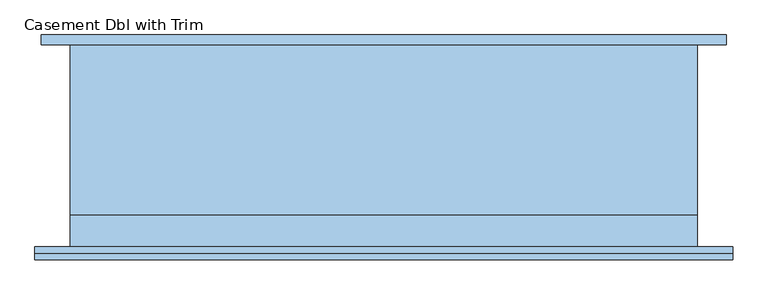
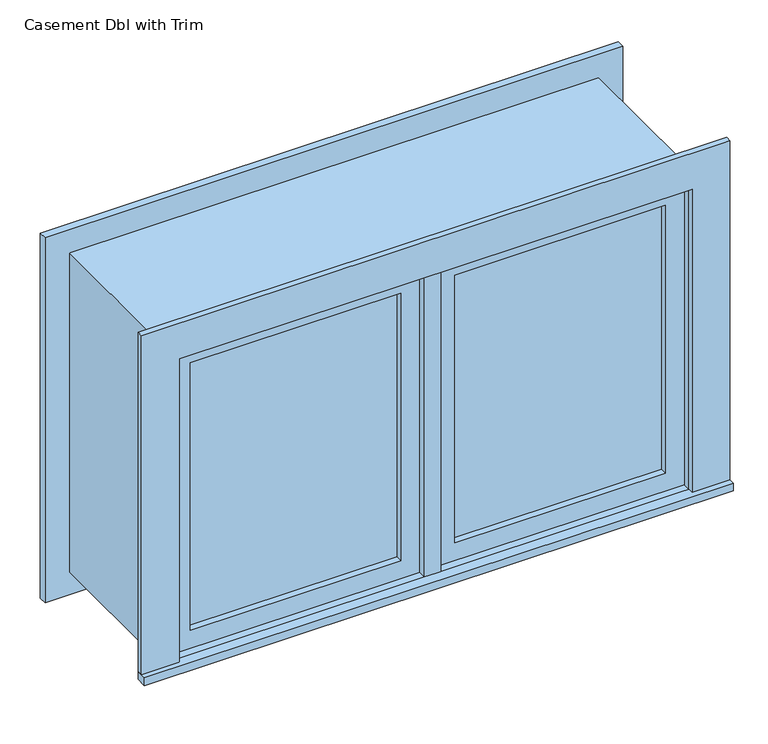
"""IFC4 building model written with IfcOpenShell, lengths in millimetres: window geometry, Casement Dbl with Trim."""

from ifc_helpers import new_model, si_unit, frame, origin, place, context, project, spatial, polyline, outline, extrude, source, transform, mapped, element, save


def casement_dbl_with_trim_a44b3c8c(model_context):
    return source(origin(), model_context, "Body", "SweptSolid", [
        extrude(outline(polyline([(63.5, -184.125), (63.5, -171.425), (556.5, -171.425), (556.5, -184.125), (63.5, -184.125)])), frame((0.0, 0.0, 1282.7), z_axis=(0.0, 0.0, 1.0), x_axis=(1.0, 0.0, 0.0)), (0.0, 0.0, 1.0), 663.0),
        extrude(outline(polyline([(1990.15, 19.05), (1238.25, 19.05), (1238.25, 600.95), (1990.15, 600.95), (1990.15, 19.05)]), holes=[polyline([(1945.7, 63.5), (1945.7, 556.5), (1282.7, 556.5), (1282.7, 63.5), (1945.7, 63.5)])]), frame((0.0, -200.0, 0.0), z_axis=(0.0, 1.0, 0.0), x_axis=(0.0, 0.0, 1.0)), (0.0, 0.0, 1.0), 44.45),
        extrude(outline(polyline([(19.05, -155.55), (19.05, -219.05), (-19.05, -219.05), (-19.05, -155.55), (19.05, -155.55)])), frame((0.0, 0.0, 1238.25), z_axis=(0.0, 0.0, 1.0), x_axis=(1.0, 0.0, 0.0)), (0.0, 0.0, 1.0), 751.9),
        extrude(outline(polyline([(-689.85, -244.45), (-689.85, -219.05), (689.85, -219.05), (689.85, -244.45), (-689.85, -244.45)])), frame((0.0, 0.0, 1219.2), z_axis=(0.0, 0.0, 1.0), x_axis=(1.0, 0.0, 0.0)), (0.0, 0.0, 1.0), 19.05),
        extrude(outline(polyline([(1990.15, -600.95), (1990.15, 600.95), (1238.25, 600.95), (1238.25, 689.85), (2079.05, 689.85), (2079.05, -689.85), (1238.25, -689.85), (1238.25, -600.95), (1990.15, -600.95)])), frame((0.0, -231.75, 0.0), z_axis=(0.0, 1.0, 0.0), x_axis=(0.0, 0.0, 1.0)), (0.0, 0.0, 1.0), 12.7),
        extrude(outline(polyline([(2066.35, 677.15), (2066.35, -677.15), (1162.05, -677.15), (1162.05, 677.15), (2066.35, 677.15)]), holes=[polyline([(1977.45, 588.25), (1250.95, 588.25), (1250.95, -588.25), (1977.45, -588.25), (1977.45, 588.25)])]), frame((0.0, 180.95, 0.0), z_axis=(0.0, 1.0, 0.0), x_axis=(0.0, 0.0, 1.0)), (0.0, 0.0, 1.0), 19.05),
        extrude(outline(polyline([(-63.5, -171.425), (-63.5, -184.125), (-556.5, -184.125), (-556.5, -171.425), (-63.5, -171.425)])), frame((0.0, 0.0, 1282.7), z_axis=(0.0, 0.0, 1.0), x_axis=(1.0, 0.0, 0.0)), (0.0, 0.0, 1.0), 663.0),
        extrude(outline(polyline([(1990.15, -600.95), (1238.25, -600.95), (1238.25, -19.05), (1990.15, -19.05), (1990.15, -600.95)]), holes=[polyline([(1945.7, -556.5), (1945.7, -63.5), (1282.7, -63.5), (1282.7, -556.5), (1945.7, -556.5)])]), frame((0.0, -200.0, 0.0), z_axis=(0.0, 1.0, 0.0), x_axis=(0.0, 0.0, 1.0)), (0.0, 0.0, 1.0), 44.45),
        extrude(outline(polyline([(2009.2, -620.0), (1219.2, -620.0), (1219.2, 620.0), (2009.2, 620.0), (2009.2, -620.0)]), holes=[polyline([(1977.45, -588.25), (1977.45, 588.25), (1250.95, 588.25), (1250.95, -588.25), (1977.45, -588.25)])]), frame((0.0, -155.55, 0.0), z_axis=(0.0, 1.0, 0.0), x_axis=(0.0, 0.0, 1.0)), (0.0, 0.0, 1.0), 336.5),
        extrude(outline(polyline([(2009.2, 620.0), (2009.2, -620.0), (1219.2, -620.0), (1219.2, 620.0), (2009.2, 620.0)]), holes=[polyline([(1990.15, 600.95), (1238.25, 600.95), (1238.25, -600.95), (1990.15, -600.95), (1990.15, 600.95)])]), frame((0.0, -219.05, 0.0), z_axis=(0.0, 1.0, 0.0), x_axis=(0.0, 0.0, 1.0)), (0.0, 0.0, 1.0), 63.5),
    ])


if __name__ == "__main__":
    model = new_model("IFC4")
    model_context = context("Model", 3, world=origin())
    ifc_project = project(units=[si_unit("LENGTHUNIT", "METRE", prefix="MILLI")], contexts=[model_context])
    site = spatial("IfcSite", under=ifc_project)
    building = spatial("IfcBuilding", under=site)
    placement = place(None, origin())
    casement_dbl_with_trim_shape = casement_dbl_with_trim_a44b3c8c(model_context)
    element("IfcWindow", 1, ObjectType="Casement Dbl with Trim", at=placement, inside=building, context=model_context, shape_type="MappedRepresentation", body=[
        mapped(casement_dbl_with_trim_shape, transform((0.0, 0.0, 0.0), x_axis=(1.0, 0.0, 0.0), y_axis=(0.0, 1.0, 0.0), z_axis=(0.0, 0.0, 1.0))),
    ])
    save(model, "model.ifc")
